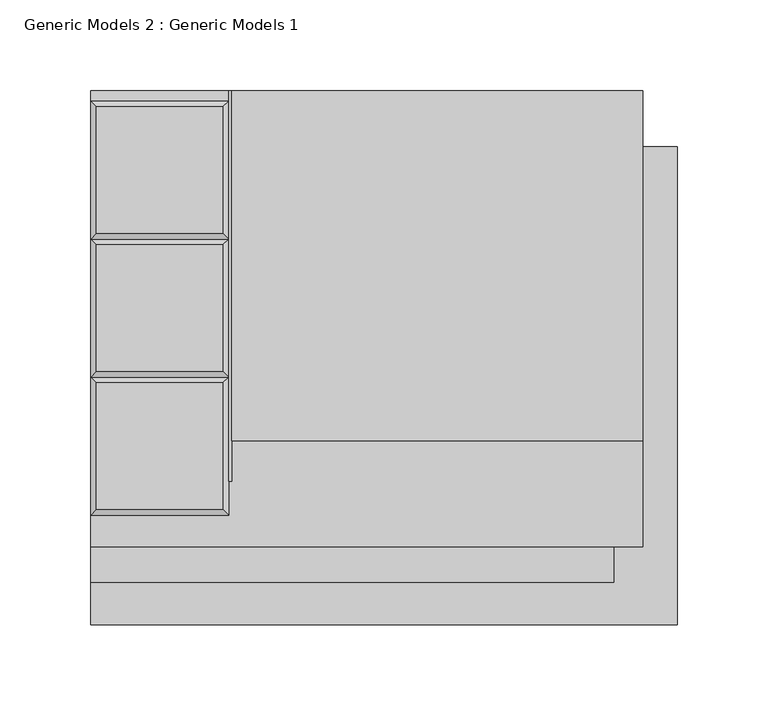
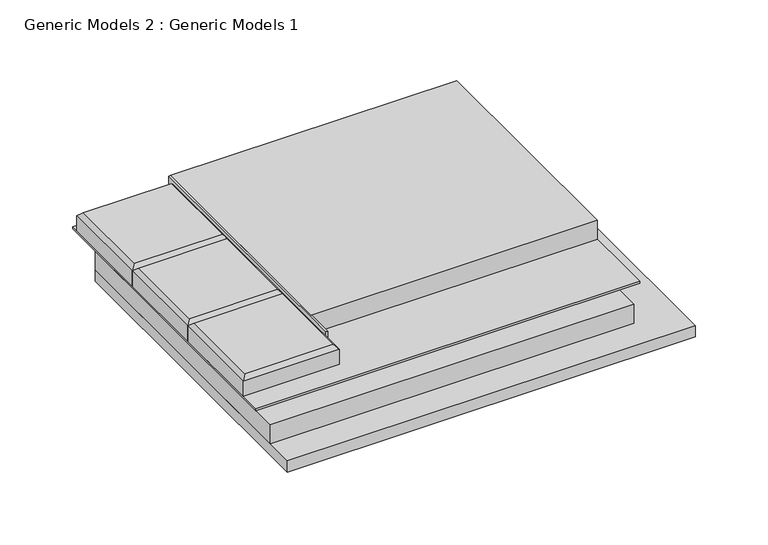
"""IFC4 building model written with IfcOpenShell, lengths in millimetres: proxy geometry, Generic Models 2 : Generic Models 1."""

from ifc_helpers import new_model, si_unit, frame, origin, place, context, project, spatial, polyline, outline, extrude, faceted_brep, source, transform, mapped, element, save


def generic_models_2_generic_models_1_c4decc55(model_context):
    return source(origin(), model_context, "Body", "SolidModel", [
        faceted_brep([(174.7378202, 419.1, 222.25), (98.5378202, 419.1, 222.25), (98.5378202, 419.1, 234.95), (174.7378202, 419.1, 234.95), (98.5378202, 342.9, 222.25), (174.7378202, 342.9, 222.25), (174.7378202, 342.9, 234.95), (98.5378202, 342.9, 234.95), (101.7128202, 415.925, 238.125), (101.7128202, 346.075, 238.125), (171.5628202, 346.075, 238.125), (171.5628202, 415.925, 238.125)], [[[0, 1, 2, 3]], [[4, 5, 6, 7]], [[8, 9, 10, 11]], [[5, 0, 3, 6]], [[1, 0, 5, 4]], [[1, 4, 7, 2]], [[7, 9, 8, 2]], [[9, 7, 6, 10]], [[10, 6, 3, 11]], [[2, 8, 11, 3]]]),
        faceted_brep([(174.7378202, 342.9, 222.25), (98.5378202, 342.9, 222.25), (98.5378202, 342.9, 234.95), (174.7378202, 342.9, 234.95), (98.5378202, 266.7, 222.25), (174.7378202, 266.7, 222.25), (174.7378202, 266.7, 234.95), (98.5378202, 266.7, 234.95), (101.7128202, 339.725, 238.125), (101.7128202, 269.875, 238.125), (171.5628202, 269.875, 238.125), (171.5628202, 339.725, 238.125)], [[[0, 1, 2, 3]], [[4, 5, 6, 7]], [[8, 9, 10, 11]], [[5, 0, 3, 6]], [[1, 0, 5, 4]], [[1, 4, 7, 2]], [[7, 9, 8, 2]], [[9, 7, 6, 10]], [[10, 6, 3, 11]], [[2, 8, 11, 3]]]),
        faceted_brep([(174.7378202, 266.7, 222.25), (98.5378202, 266.7, 222.25), (98.5378202, 266.7, 234.95), (174.7378202, 266.7, 234.95), (98.5378202, 190.5, 222.25), (174.7378202, 190.5, 222.25), (174.7378202, 190.5, 234.95), (98.5378202, 190.5, 234.95), (101.7128202, 263.525, 238.125), (101.7128202, 193.675, 238.125), (171.5628202, 193.675, 238.125), (171.5628202, 263.525, 238.125)], [[[0, 1, 2, 3]], [[4, 5, 6, 7]], [[8, 9, 10, 11]], [[5, 0, 3, 6]], [[1, 0, 5, 4]], [[1, 4, 7, 2]], [[7, 9, 8, 2]], [[9, 7, 6, 10]], [[10, 6, 3, 11]], [[2, 8, 11, 3]]]),
        extrude(outline(polyline([(176.3253202, 424.8575057), (403.3378202, 424.8575057), (403.3378202, 231.6523377), (176.3253202, 231.6523377), (176.3253202, 424.8575057)])), frame((0.0, 0.0, 222.25), z_axis=(0.0, 0.0, 1.0), x_axis=(1.0, 0.0, 0.0)), (0.0, 0.0, 1.0), 15.875),
        extrude(outline(polyline([(174.7378202, 424.8575057), (176.3253202, 424.8575057), (176.3253202, 209.3011681), (174.7378202, 209.3011681), (174.7378202, 424.8575057)])), frame((0.0, 0.0, 222.25), z_axis=(0.0, 0.0, 1.0), x_axis=(1.0, 0.0, 0.0)), (0.0, 0.0, 1.0), 15.875),
        extrude(outline(polyline([(98.5378202, 424.8575057), (403.3378202, 424.8575057), (403.3378202, 173.2430236), (98.5378202, 173.2430236), (98.5378202, 424.8575057)])), frame((0.0, 0.0, 220.6625), z_axis=(0.0, 0.0, 1.0), x_axis=(1.0, 0.0, 0.0)), (0.0, 0.0, 1.0), 1.5875),
        extrude(outline(polyline([(98.5378202, 393.8469389), (387.35, 393.8469389), (387.35, 153.6372936), (98.5378202, 153.6372936), (98.5378202, 393.8469389)])), frame((0.0, 0.0, 204.7875), z_axis=(0.0, 0.0, 1.0), x_axis=(1.0, 0.0, 0.0)), (0.0, 0.0, 1.0), 15.875),
        extrude(outline(polyline([(98.5378202, 393.8469389), (422.3878202, 393.8469389), (422.3878202, 129.9823887), (98.5378202, 129.9823887), (98.5378202, 393.8469389)])), frame((0.0, 0.0, 195.2625), z_axis=(0.0, 0.0, 1.0), x_axis=(1.0, 0.0, 0.0)), (0.0, 0.0, 1.0), 9.525),
    ])


if __name__ == "__main__":
    model = new_model("IFC4")
    model_context = context("Model", 3, world=origin())
    ifc_project = project(units=[si_unit("LENGTHUNIT", "METRE", prefix="MILLI")], contexts=[model_context])
    site = spatial("IfcSite", under=ifc_project)
    building = spatial("IfcBuilding", under=site)
    placement = place(None, origin())
    generic_models_2_generic_models_1_shape = generic_models_2_generic_models_1_c4decc55(model_context)
    element("IfcBuildingElementProxy", 1, Name="Generic Models 2 : Generic Models 1", ObjectType="Generic Models 2 : Generic Models 1", at=placement, inside=building, context=model_context, shape_type="MappedRepresentation", body=[
        mapped(generic_models_2_generic_models_1_shape, transform((0.0, 0.0, 0.0), x_axis=(1.0, 0.0, 0.0), y_axis=(0.0, 1.0, 0.0), z_axis=(0.0, 0.0, 1.0))),
    ])
    save(model, "model.ifc")
